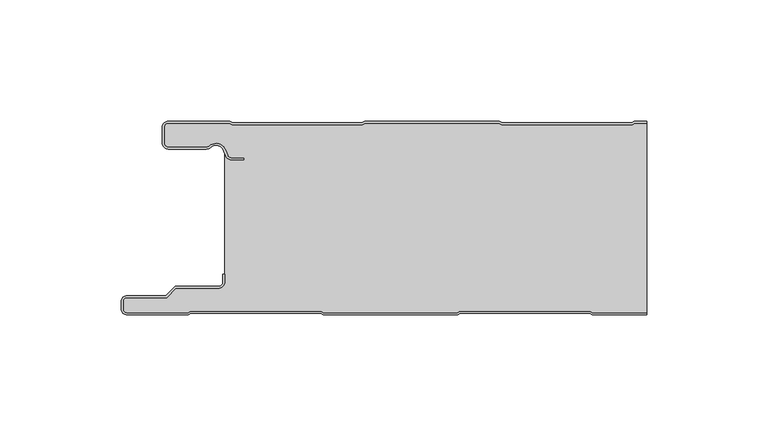
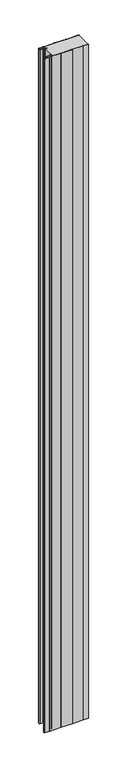
"""IFC4 building model written with IfcOpenShell, lengths in millimetres: plate geometry."""

from ifc_helpers import new_model, si_unit, point, frame_2d, origin, origin_with_axes, place, context, project, spatial, polyline, circle_curve, trimmed, segment, composite_curve, outline, extrude, source, transform, mapped, element, save


def plate_fc4b59a1(model_context):
    return source(origin(), model_context, "Body", "SweptSolid", [
        extrude(outline(composite_curve([segment(polyline([(-117.0, -77.5), (-117.0, -74.5)]), True, "CONTINUOUS"), segment(trimmed(circle_curve(frame_2d((-114.5, -74.5)), 2.5), [point((-117.0, -74.5))], [point((-114.5, -72.0))], False, "CARTESIAN"), True, "CONTINUOUS"), segment(polyline([(-114.5, -72.0), (-98.5, -72.0), (-94.75, -68.25), (-77.0, -68.25)]), True, "CONTINUOUS"), segment(trimmed(circle_curve(frame_2d((-77.0, -66.25)), 2.0), [point((-77.0, -68.25))], [point((-75.0, -66.25))], True, "CARTESIAN"), True, "CONTINUOUS"), segment(polyline([(-75.0, -66.25), (-75.0, -63.25), (-74.2, -63.25), (-74.2, -66.25)]), True, "CONTINUOUS"), segment(trimmed(circle_curve(frame_2d((-77.0, -66.25)), 2.8), [point((-74.2, -66.25))], [point((-77.0, -69.05))], False, "CARTESIAN"), True, "CONTINUOUS"), segment(polyline([(-77.0, -69.05), (-94.4186292, -69.05), (-98.1686292, -72.8), (-114.5, -72.8)]), True, "CONTINUOUS"), segment(trimmed(circle_curve(frame_2d((-114.5, -74.5)), 1.7), [point((-114.5, -72.8))], [point((-116.2, -74.5))], True, "CARTESIAN"), True, "CONTINUOUS"), segment(polyline([(-116.2, -74.5), (-116.2, -77.5)]), True, "CONTINUOUS"), segment(trimmed(circle_curve(frame_2d((-114.5, -77.5)), 1.7), [point((-116.2, -77.5))], [point((-114.5, -79.2))], True, "CARTESIAN"), True, "CONTINUOUS"), segment(polyline([(-114.5, -79.2), (-89.4444842, -79.2), (-88.4469842, -78.6), (-34.4430158, -78.6), (-33.4455158, -79.2), (21.6655158, -79.2), (22.6630158, -78.6), (76.6669842, -78.6), (77.6644842, -79.2), (100.0, -79.2), (100.0, -80.0), (77.4424211, -80.0), (76.4449211, -79.4), (22.8850789, -79.4), (21.8875789, -80.0), (-33.6675789, -80.0), (-34.6650789, -79.4), (-88.2249211, -79.4), (-89.2224211, -80.0), (-114.5, -80.0)]), True, "CONTINUOUS"), segment(trimmed(circle_curve(frame_2d((-114.5, -77.5)), 2.5), [point((-114.5, -80.0))], [point((-117.0, -77.5))], False, "CARTESIAN"), True, "CONTINUOUS")], self_intersect=False)), origin_with_axes(), (0.0, 0.0, 1.0), 3500.0),
        extrude(outline(composite_curve([segment(trimmed(circle_curve(frame_2d((-97.49499, -9.0180361)), 2.50501), [point((-97.49499, -11.5230461))], [point((-100.0, -9.0180361))], False, "CARTESIAN"), True, "CONTINUOUS"), segment(polyline([(-100.0, -9.0180361), (-100.0, -2.50501)]), True, "CONTINUOUS"), segment(trimmed(circle_curve(frame_2d((-97.49499, -2.50501)), 2.50501), [point((-100.0, -2.50501))], [point((-97.49499, 0.0))], False, "CARTESIAN"), True, "CONTINUOUS"), segment(polyline([(-97.49499, 0.0), (-72.2103007, 0.0), (-71.028188, -0.6012024), (-17.6391467, -0.6012024), (-16.457034, 0.0), (39.1223647, 0.0), (40.3044773, -0.6012024), (93.6935186, -0.6012024), (94.8756313, 0.0), (100.0, 0.0), (100.0, -0.8), (95.0673777, -0.8), (93.885265, -1.4012024), (40.112731, -1.4012024), (38.9306183, -0.8), (-16.2652876, -0.8), (-17.4474003, -1.4012024), (-71.2199344, -1.4012024), (-72.4020471, -0.8), (-97.49499, -0.8)]), True, "CONTINUOUS"), segment(trimmed(circle_curve(frame_2d((-97.49499, -2.50501)), 1.70501), [point((-97.49499, -0.8))], [point((-99.2, -2.50501))], True, "CARTESIAN"), True, "CONTINUOUS"), segment(polyline([(-99.2, -2.50501), (-99.2, -9.0180361)]), True, "CONTINUOUS"), segment(trimmed(circle_curve(frame_2d((-97.49499, -9.0180361)), 1.70501), [point((-99.2, -9.0180361))], [point((-97.49499, -10.7230461))], True, "CARTESIAN"), True, "CONTINUOUS"), segment(polyline([(-97.49499, -10.7230461), (-81.8173283, -10.7230461)]), True, "CONTINUOUS"), segment(trimmed(circle_curve(frame_2d((-81.8173283, -9.0180361)), 1.70501), [point((-81.8173283, -10.7230461))], [point((-80.6895701, -10.2967936))], True, "CARTESIAN"), True, "CONTINUOUS"), segment(trimmed(circle_curve(frame_2d((-77.8407481, -13.5270541)), 4.307014), [point((-80.6895701, -10.2967936))], [point((-73.7934788, -12.0539686))], False, "CARTESIAN"), True, "CONTINUOUS"), segment(polyline([(-73.7934788, -12.0539686), (-73.0450711, -14.1102019)]), True, "CONTINUOUS"), segment(trimmed(circle_curve(frame_2d((-71.4428858, -13.5270541)), 1.70501), [point((-73.0450711, -14.1102019))], [point((-71.4428858, -15.2320641))], True, "CARTESIAN"), True, "CONTINUOUS"), segment(polyline([(-71.4428858, -15.2320641), (-66.4328657, -15.2320641), (-66.4328657, -16.0320641), (-71.4428858, -16.0320641)]), True, "CONTINUOUS"), segment(trimmed(circle_curve(frame_2d((-71.4428858, -13.5270541)), 2.50501), [point((-71.4428858, -16.0320641))], [point((-73.7968252, -14.383818))], False, "CARTESIAN"), True, "CONTINUOUS"), segment(polyline([(-73.7968252, -14.383818), (-74.5452329, -12.3275847)]), True, "CONTINUOUS"), segment(trimmed(circle_curve(frame_2d((-77.8407481, -13.5270541)), 3.507014), [point((-74.5452329, -12.3275847))], [point((-80.1604199, -10.8967936))], True, "CARTESIAN"), True, "CONTINUOUS"), segment(trimmed(circle_curve(frame_2d((-81.8173283, -9.0180361)), 2.50501), [point((-80.1604199, -10.8967936))], [point((-81.8173283, -11.5230461))], False, "CARTESIAN"), True, "CONTINUOUS"), segment(polyline([(-81.8173283, -11.5230461), (-97.49499, -11.5230461)]), True, "CONTINUOUS")], self_intersect=False)), origin_with_axes(), (0.0, 0.0, 1.0), 3500.0),
        extrude(outline(composite_curve([segment(polyline([(77.6644842, -79.2), (76.6669842, -78.6), (22.6630158, -78.6), (21.6655158, -79.2), (-33.4455158, -79.2), (-34.4430158, -78.6), (-88.4469842, -78.6), (-89.4444842, -79.2), (-114.5, -79.2)]), True, "CONTINUOUS"), segment(trimmed(circle_curve(frame_2d((-114.5, -77.5)), 1.7), [point((-114.5, -79.2))], [point((-116.2, -77.5))], False, "CARTESIAN"), True, "CONTINUOUS"), segment(polyline([(-116.2, -77.5), (-116.2, -74.5)]), True, "CONTINUOUS"), segment(trimmed(circle_curve(frame_2d((-114.5, -74.5)), 1.7), [point((-116.2, -74.5))], [point((-114.5, -72.8))], False, "CARTESIAN"), True, "CONTINUOUS"), segment(polyline([(-114.5, -72.8), (-98.1686292, -72.8), (-94.4186292, -69.05), (-77.0, -69.05)]), True, "CONTINUOUS"), segment(trimmed(circle_curve(frame_2d((-77.0, -66.25)), 2.8), [point((-77.0, -69.05))], [point((-74.2, -66.25))], True, "CARTESIAN"), True, "CONTINUOUS"), segment(polyline([(-74.2, -66.25), (-74.2, -11.2258973)]), True, "CONTINUOUS"), segment(trimmed(circle_curve(frame_2d((-77.8407481, -13.5270541)), 4.307014), [point((-74.2, -11.2258973))], [point((-80.6895701, -10.2967936))], True, "CARTESIAN"), True, "CONTINUOUS"), segment(trimmed(circle_curve(frame_2d((-81.8173283, -9.0180361)), 1.70501), [point((-80.6895701, -10.2967936))], [point((-81.8173283, -10.7230461))], False, "CARTESIAN"), True, "CONTINUOUS"), segment(polyline([(-81.8173283, -10.7230461), (-97.49499, -10.7230461)]), True, "CONTINUOUS"), segment(trimmed(circle_curve(frame_2d((-97.49499, -9.0180361)), 1.70501), [point((-97.49499, -10.7230461))], [point((-99.2, -9.0180361))], False, "CARTESIAN"), True, "CONTINUOUS"), segment(polyline([(-99.2, -9.0180361), (-99.2, -2.50501)]), True, "CONTINUOUS"), segment(trimmed(circle_curve(frame_2d((-97.49499, -2.50501)), 1.70501), [point((-99.2, -2.50501))], [point((-97.49499, -0.8))], False, "CARTESIAN"), True, "CONTINUOUS"), segment(polyline([(-97.49499, -0.8), (-72.4020471, -0.8), (-71.2199344, -1.4012024), (-17.4474003, -1.4012024), (-16.2652876, -0.8), (38.9306183, -0.8), (40.112731, -1.4012024), (93.885265, -1.4012024), (95.0673777, -0.8), (100.0, -0.8), (100.0, -79.2), (77.6644842, -79.2)]), True, "CONTINUOUS")], self_intersect=False)), origin_with_axes(), (0.0, 0.0, 1.0), 3500.0),
    ])


if __name__ == "__main__":
    model = new_model("IFC4")
    model_context = context("Model", 3, world=origin())
    ifc_project = project(units=[si_unit("LENGTHUNIT", "METRE", prefix="MILLI")], contexts=[model_context])
    site = spatial("IfcSite", under=ifc_project)
    building = spatial("IfcBuilding", under=site)
    placement = place(None, origin())
    plate_shape = plate_fc4b59a1(model_context)
    element("IfcPlate", 1, at=placement, inside=building, context=model_context, shape_type="MappedRepresentation", body=[
        mapped(plate_shape, transform((0.0, 0.0, 0.0), x_axis=(1.0, 0.0, 0.0), y_axis=(0.0, 1.0, 0.0), z_axis=(0.0, 0.0, 1.0))),
    ])
    save(model, "model.ifc")
